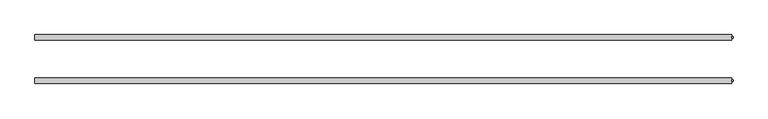
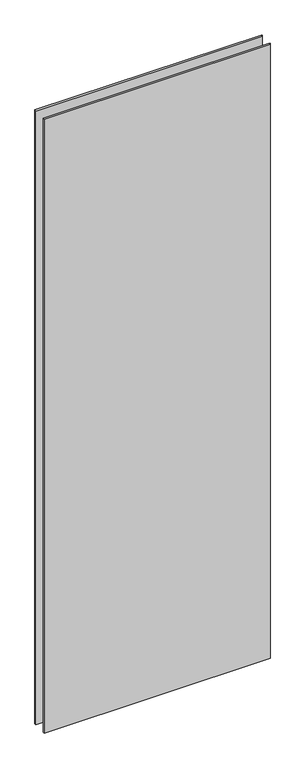
"""IFC4 building model written with IfcOpenShell, lengths in millimetres: plate geometry."""

from ifc_helpers import new_model, si_unit, origin, origin_with_axes, place, context, project, spatial, polyline, outline, extrude, source, transform, mapped, element, save


def plate_04af74bd(model_context):
    return source(origin(), model_context, "Body", "SweptSolid", [
        extrude(outline(polyline([(507.108201, 32.7), (509.108201, 32.7), (509.108201, 30.7), (507.108201, 30.7), (507.108201, 32.7)])), origin_with_axes(), (0.0, 0.0, 1.0), 2915.0),
        extrude(outline(polyline([(509.108201, -30.7), (509.108201, -32.7), (507.108201, -32.7), (507.108201, -30.7), (509.108201, -30.7)])), origin_with_axes(), (0.0, 0.0, 1.0), 2915.0),
        extrude(outline(polyline([(507.108201, 27.7), (-509.108201, 27.7), (-509.108201, 35.7), (507.108201, 35.7), (507.108201, 27.7)])), origin_with_axes(), (0.0, 0.0, 1.0), 2915.0),
        extrude(outline(polyline([(-509.108201, -35.7), (-509.108201, -27.7), (507.108201, -27.7), (507.108201, -35.7), (-509.108201, -35.7)])), origin_with_axes(), (0.0, 0.0, 1.0), 2915.0),
    ])


if __name__ == "__main__":
    model = new_model("IFC4")
    model_context = context("Model", 3, world=origin())
    ifc_project = project(units=[si_unit("LENGTHUNIT", "METRE", prefix="MILLI")], contexts=[model_context])
    site = spatial("IfcSite", under=ifc_project)
    building = spatial("IfcBuilding", under=site)
    placement = place(None, origin())
    plate_shape = plate_04af74bd(model_context)
    element("IfcPlate", 1, at=placement, inside=building, context=model_context, shape_type="MappedRepresentation", body=[
        mapped(plate_shape, transform((0.0, 0.0, 0.0), x_axis=(1.0, 0.0, 0.0), y_axis=(0.0, 1.0, 0.0), z_axis=(0.0, 0.0, 1.0))),
    ])
    save(model, "model.ifc")
